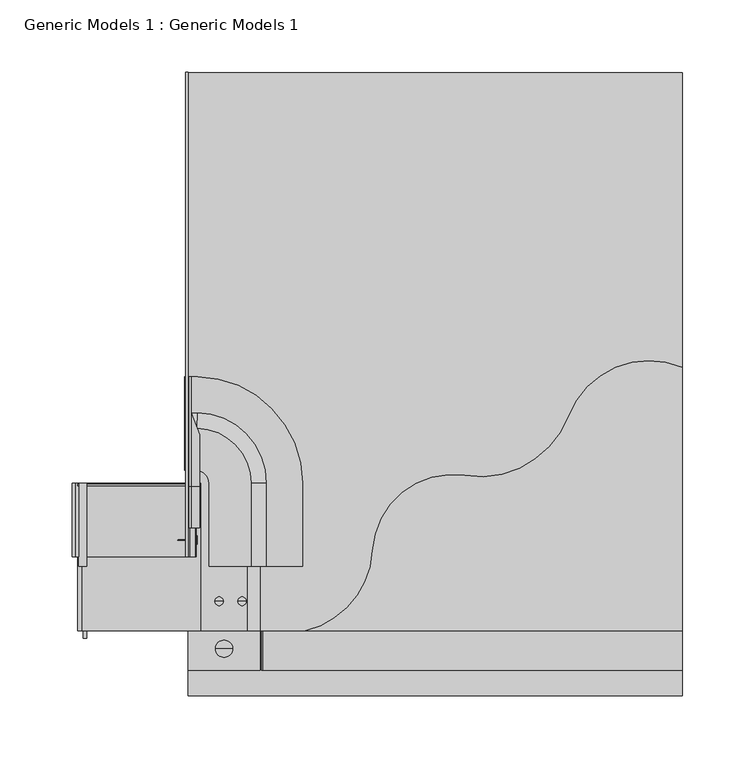
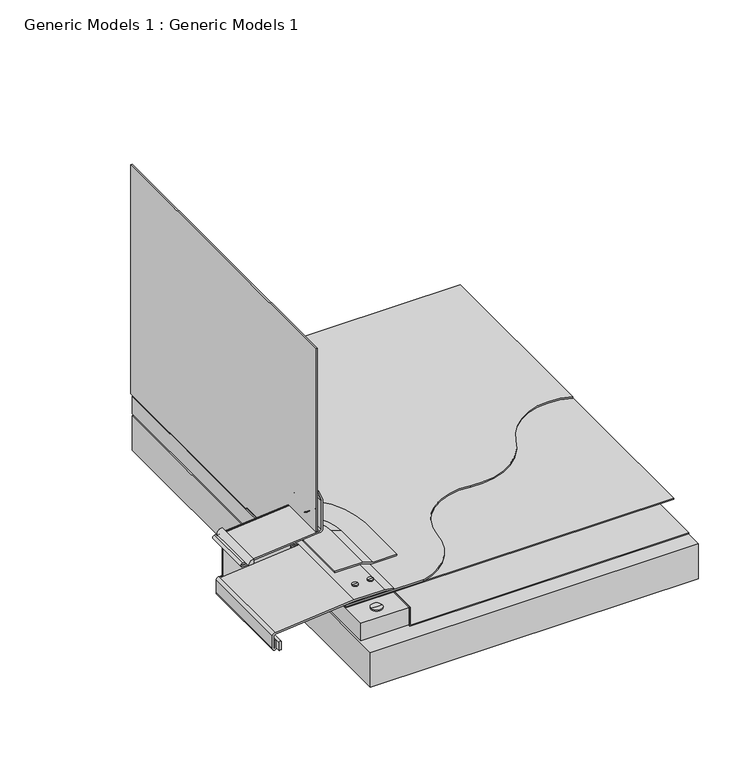
"""IFC4 building model written with IfcOpenShell, lengths in millimetres: proxy geometry, Generic Models 1 : Generic Models 1."""

from ifc_helpers import new_model, si_unit, point, frame, frame_2d, origin, place, context, project, spatial, polyline, circle_curve, trimmed, segment, composite_curve, outline, extrude, source, transform, mapped, element, save
from ifc_brep_helpers import plane_surface, cylinder_surface, revolved_surface, advanced_brep


def generic_models_1_generic_models_1_643e601e(model_context):
    return source(origin(), model_context, "Body", "SolidModel", [
        advanced_brep(
        [(70.2545796, -3.6625255, 365.5060914), (68.5200047, -3.6625255, 365.5060914), (68.5200047, -3.6625255, 334.6680183), (70.2545796, -3.6625255, 334.6680183), (75.3031923, -3.6625255, 365.5060914), (63.4713919, -3.6625255, 365.5060914), (75.3031923, -3.6625255, 367.0935914), (63.4713919, -3.6625255, 367.0935914), (69.3872921, -3.6625255, 367.0935914), (69.3872921, -3.6625255, 334.6680183)],
        [
            (0, 1, circle_curve(frame((69.3872921, -3.6625255, 365.5060914), z_axis=(0.0, 0.0, -1.0), x_axis=(-1.0, 0.0, 0.0)), 0.8672874)),
            (1, 2),
            (2, 3, circle_curve(frame((69.3872921, -3.6625255, 334.6680183), z_axis=(0.0, 0.0, 1.0), x_axis=(-1.0, 0.0, 0.0)), 0.8672874)),
            (3, 0),
            (1, 0, circle_curve(frame((69.3872921, -3.6625255, 365.5060914), z_axis=(0.0, 0.0, -1.0), x_axis=(-1.0, 0.0, 0.0)), 0.8672874)),
            (3, 2, circle_curve(frame((69.3872921, -3.6625255, 334.6680183), z_axis=(0.0, 0.0, 1.0), x_axis=(-1.0, 0.0, 0.0)), 0.8672874)),
            (4, 5, circle_curve(frame((69.3872921, -3.6625255, 365.5060914), z_axis=(0.0, 0.0, -1.0), x_axis=(-1.0, 0.0, 0.0)), 5.9159002)),
            (5, 1),
            (0, 4),
            (5, 4, circle_curve(frame((69.3872921, -3.6625255, 365.5060914), z_axis=(0.0, 0.0, -1.0), x_axis=(-1.0, 0.0, 0.0)), 5.9159002)),
            (6, 7, circle_curve(frame((69.3872921, -3.6625255, 367.0935914), z_axis=(0.0, 0.0, -1.0), x_axis=(-1.0, 0.0, 0.0)), 5.9159002)),
            (7, 5),
            (4, 6),
            (7, 6, circle_curve(frame((69.3872921, -3.6625255, 367.0935914), z_axis=(0.0, 0.0, -1.0), x_axis=(-1.0, 0.0, 0.0)), 5.9159002)),
            (8, 7),
            (6, 8),
            (2, 9),
            (9, 3),
        ],
        [
            cylinder_surface(frame((69.3872921, -3.6625255, 363.3756073), z_axis=(0.0, 0.0, 1.0), x_axis=(-1.0, 0.0, 0.0)), 0.8672874),
            plane_surface(frame((69.3872921, -3.6625255, 365.5060914), z_axis=(0.0, 0.0, -1.0), x_axis=(-1.0, 0.0, 0.0))),
            cylinder_surface(frame((69.3872921, -3.6625255, 363.3756073), z_axis=(0.0, 0.0, 1.0), x_axis=(-1.0, 0.0, 0.0)), 5.9159002),
            plane_surface(frame((69.3872921, -3.6625255, 367.0935914), z_axis=(0.0, 0.0, 1.0), x_axis=(-1.0, 0.0, 0.0))),
            plane_surface(frame((69.3872921, -3.6625255, 334.6680183), z_axis=(0.0, 0.0, -1.0), x_axis=(-1.0, 0.0, 0.0))),
        ],
        [
            (0, [[1, 2, 3, 4]]),
            (0, [[5, -4, 6, -2]]),
            (1, [[7, 8, -1, 9]]),
            (1, [[10, -9, -5, -8]]),
            (2, [[11, 12, -7, 13]]),
            (2, [[14, -13, -10, -12]]),
            (3, [[15, -11, 16]]),
            (3, [[-16, -14, -15]]),
            (4, [[-3, 17, 18]]),
            (4, [[-6, -18, -17]]),
        ],
    ),
        extrude(outline(polyline([(345.6623414, 385.7625), (346.4560914, 385.7625), (346.4560914, 96.04375), (366.2998414, 96.04375), (366.2998414, 95.25), (345.6623414, 95.25), (345.6623414, 385.7625)])), frame((0.0, -18.5337106, 0.0), z_axis=(0.0, 1.0, 0.0), x_axis=(0.0, 0.0, 1.0)), (0.0, 0.0, 1.0), 412.3806495),
        extrude(outline(polyline([(44.45, 393.8469389), (94.3245843, 393.8469389), (94.3245843, -18.5337106), (44.45, -18.5337106), (44.45, 393.8469389)])), frame((0.0, 0.0, 347.2498414), z_axis=(0.0, 0.0, 1.0), x_axis=(1.0, 0.0, 0.0)), (0.0, 0.0, 1.0), 19.05),
        extrude(outline(polyline([(44.45, 393.8469389), (385.7625, 393.8469389), (385.7625, -35.9507918), (44.45, -35.9507918), (44.45, 393.8469389)])), frame((0.0, 0.0, 306.7685914), z_axis=(0.0, 0.0, 1.0), x_axis=(1.0, 0.0, 0.0)), (0.0, 0.0, 1.0), 38.1),
        extrude(outline(composite_curve([segment(polyline([(348.3034303, -25.4), (357.2110691, -25.4)]), True, "CONTINUOUS"), segment(trimmed(circle_curve(frame_2d((357.2110691, -26.590625)), 1.190625), [point((357.2110691, -25.4))], [point((357.2110691, -27.78125))], False, "CARTESIAN"), True, "CONTINUOUS"), segment(polyline([(357.2110691, -27.78125), (348.3034303, -27.78125)]), True, "CONTINUOUS"), segment(trimmed(circle_curve(frame_2d((347.9308483, -26.590625)), 1.2475597), [point((348.3034303, -27.78125))], [point((348.3034303, -25.4))], True, "CARTESIAN"), True, "CONTINUOUS")], self_intersect=False)), frame((0.0, 3.5264576, 0.0), z_axis=(0.0, 1.0, 0.0), x_axis=(0.0, 0.0, 1.0)), (0.0, 0.0, 1.0), 106.9177285),
        extrude(outline(composite_curve([segment(trimmed(circle_curve(frame_2d((412.6374516, -25.4)), 5.394032), [point((418.0314836, -25.4))], [point((412.6374516, -30.794032))], False, "CARTESIAN"), True, "CONTINUOUS"), segment(polyline([(412.6374516, -30.794032), (413.1278182, -25.4), (418.0314836, -25.4)]), True, "CONTINUOUS")], self_intersect=False)), frame((0.0, 53.2941862, 0.0), z_axis=(0.0, 1.0, 0.0), x_axis=(0.0, 0.0, 1.0)), (0.0, 0.0, 1.0), 57.15),
        extrude(outline(composite_curve([segment(polyline([(44.45, 393.8469389), (385.7625, 393.8469389), (385.7625, 190.5484479)]), True, "CONTINUOUS"), segment(trimmed(circle_curve(frame_2d((362.7557693, 135.6910091)), 59.4865384), [point((385.7625, 190.5484479))], [point((307.2749003, 157.1507719))], True, "CARTESIAN"), True, "CONTINUOUS"), segment(trimmed(circle_curve(frame_2d((245.9110735, 180.8860377)), 65.7942405), [point((307.2749003, 157.1507719))], [point((235.7845032, 115.8757719))], False, "CARTESIAN"), True, "CONTINUOUS"), segment(trimmed(circle_curve(frame_2d((227.2163171, 60.8699764)), 55.6691239), [point((235.7845032, 115.8757719))], [point((171.6311041, 63.9253737))], True, "CARTESIAN"), True, "CONTINUOUS"), segment(trimmed(circle_curve(frame_2d((111.7794323, 67.2152888)), 59.9420233), [point((171.6311041, 63.9253737))], [point((125.4125, 8.8441862))], False, "CARTESIAN"), True, "CONTINUOUS"), segment(polyline([(125.4125, 8.8441862), (44.45, 8.8441862), (44.45, 393.8469389)]), True, "CONTINUOUS")], self_intersect=False)), frame((0.0, 0.0, 367.8873414), z_axis=(0.0, 0.0, 1.0), x_axis=(1.0, 0.0, 0.0)), (0.0, 0.0, 1.0), 1.5875),
        extrude(outline(polyline([(44.45, 393.8469389), (385.7625, 393.8469389), (385.7625, 8.8441862), (44.45, 8.8441862), (44.45, 393.8469389)])), frame((0.0, 0.0, 367.0935914), z_axis=(0.0, 0.0, 1.0), x_axis=(1.0, 0.0, 0.0)), (0.0, 0.0, 1.0), 0.79375),
        advanced_brep(
        [(37.30625, 71.3046159, 436.504844), (39.221851, 71.3046159, 436.2696378), (39.221851, 71.3046159, 436.7400502), (50.00625, 71.3046159, 436.2696378), (50.00625, 71.3046159, 436.7400502), (50.00625, 71.3046159, 433.5468939), (50.00625, 71.3046159, 439.4627941), (50.8, 71.3046159, 433.5468939), (50.8, 71.3046159, 439.4627941), (50.8, 71.3046159, 436.504844)],
        [
            (0, 1),
            (1, 2, circle_curve(frame((39.221851, 71.3046159, 436.504844), z_axis=(-1.0, 0.0, 0.0), x_axis=(0.0, 0.0, -1.0)), 0.2352062)),
            (2, 0),
            (2, 1, circle_curve(frame((39.221851, 71.3046159, 436.504844), z_axis=(-1.0, 0.0, 0.0), x_axis=(0.0, 0.0, -1.0)), 0.2352062)),
            (1, 3),
            (3, 4, circle_curve(frame((50.00625, 71.3046159, 436.504844), z_axis=(-1.0, 0.0, 0.0), x_axis=(0.0, 0.0, -1.0)), 0.2352062)),
            (4, 2),
            (4, 3, circle_curve(frame((50.00625, 71.3046159, 436.504844), z_axis=(-1.0, 0.0, 0.0), x_axis=(0.0, 0.0, -1.0)), 0.2352062)),
            (3, 5),
            (5, 6, circle_curve(frame((50.00625, 71.3046159, 436.504844), z_axis=(-1.0, 0.0, 0.0), x_axis=(0.0, 0.0, -1.0)), 2.9579501)),
            (6, 4),
            (6, 5, circle_curve(frame((50.00625, 71.3046159, 436.504844), z_axis=(-1.0, 0.0, 0.0), x_axis=(0.0, 0.0, -1.0)), 2.9579501)),
            (5, 7),
            (7, 8, circle_curve(frame((50.8, 71.3046159, 436.504844), z_axis=(-1.0, 0.0, 0.0), x_axis=(0.0, 0.0, -1.0)), 2.9579501)),
            (8, 6),
            (8, 7, circle_curve(frame((50.8, 71.3046159, 436.504844), z_axis=(-1.0, 0.0, 0.0), x_axis=(0.0, 0.0, -1.0)), 2.9579501)),
            (7, 9),
            (9, 8),
        ],
        [
            revolved_surface(polyline([(39.221851, 71.3046159, 436.2696378), (37.30625, 71.3046159, 436.504844)]), (47.082016, 71.3046159, 436.504844), (-1.0, 0.0, 0.0)),
            cylinder_surface(frame((47.082016, 71.3046159, 436.504844), z_axis=(-1.0, 0.0, 0.0), x_axis=(0.0, 0.0, -1.0)), 0.2352062),
            plane_surface(frame((50.00625, 71.3046159, 436.504844), z_axis=(-1.0, 0.0, 0.0), x_axis=(0.0, 0.0, -1.0))),
            cylinder_surface(frame((47.082016, 71.3046159, 436.504844), z_axis=(-1.0, 0.0, 0.0), x_axis=(0.0, 0.0, -1.0)), 2.9579501),
            plane_surface(frame((50.8, 71.3046159, 436.504844), z_axis=(1.0, 0.0, 0.0), x_axis=(0.0, 0.0, -1.0))),
        ],
        [
            (0, [[1, 2, 3]]),
            (0, [[-3, 4, -1]]),
            (1, [[-2, 5, 6, 7]]),
            (1, [[-4, -7, 8, -5]]),
            (2, [[-6, 9, 10, 11]]),
            (2, [[-8, -11, 12, -9]]),
            (3, [[-10, 13, 14, 15]]),
            (3, [[-12, -15, 16, -13]]),
            (4, [[-14, 17, 18]]),
            (4, [[-16, -18, -17]]),
        ],
    ),
        advanced_brep(
        [(82.0786761, 29.0837738, 361.8654423), (81.6082637, 29.0837738, 361.8654423), (81.8434699, 29.0837738, 359.9498414), (82.0786761, 29.0837738, 372.6498414), (81.6082637, 29.0837738, 372.6498414), (84.80142, 29.0837738, 372.6498414), (78.8855198, 29.0837738, 372.6498414), (84.80142, 29.0837738, 373.4435914), (78.8855198, 29.0837738, 373.4435914), (81.8434699, 29.0837738, 373.4435914)],
        [
            (0, 1, circle_curve(frame((81.8434699, 29.0837738, 361.8654423), z_axis=(0.0, 0.0, -1.0), x_axis=(-1.0, 0.0, 0.0)), 0.2352062)),
            (1, 2),
            (2, 0),
            (1, 0, circle_curve(frame((81.8434699, 29.0837738, 361.8654423), z_axis=(0.0, 0.0, -1.0), x_axis=(-1.0, 0.0, 0.0)), 0.2352062)),
            (3, 4, circle_curve(frame((81.8434699, 29.0837738, 372.6498414), z_axis=(0.0, 0.0, -1.0), x_axis=(-1.0, 0.0, 0.0)), 0.2352062)),
            (4, 1),
            (0, 3),
            (4, 3, circle_curve(frame((81.8434699, 29.0837738, 372.6498414), z_axis=(0.0, 0.0, -1.0), x_axis=(-1.0, 0.0, 0.0)), 0.2352062)),
            (5, 6, circle_curve(frame((81.8434699, 29.0837738, 372.6498414), z_axis=(0.0, 0.0, -1.0), x_axis=(-1.0, 0.0, 0.0)), 2.9579501)),
            (6, 4),
            (3, 5),
            (6, 5, circle_curve(frame((81.8434699, 29.0837738, 372.6498414), z_axis=(0.0, 0.0, -1.0), x_axis=(-1.0, 0.0, 0.0)), 2.9579501)),
            (7, 8, circle_curve(frame((81.8434699, 29.0837738, 373.4435914), z_axis=(0.0, 0.0, -1.0), x_axis=(-1.0, 0.0, 0.0)), 2.9579501)),
            (8, 6),
            (5, 7),
            (8, 7, circle_curve(frame((81.8434699, 29.0837738, 373.4435914), z_axis=(0.0, 0.0, -1.0), x_axis=(-1.0, 0.0, 0.0)), 2.9579501)),
            (9, 8),
            (7, 9),
        ],
        [
            revolved_surface(polyline([(81.8434699, 29.0837738, 359.9498414), (81.6082637, 29.0837738, 361.8654423)]), (81.8434699, 29.0837738, 369.7256073), (0.0, 0.0, 1.0)),
            cylinder_surface(frame((81.8434699, 29.0837738, 369.7256073), z_axis=(0.0, 0.0, 1.0), x_axis=(-1.0, 0.0, 0.0)), 0.2352062),
            plane_surface(frame((81.8434699, 29.0837738, 372.6498414), z_axis=(0.0, 0.0, -1.0), x_axis=(-1.0, 0.0, 0.0))),
            cylinder_surface(frame((81.8434699, 29.0837738, 369.7256073), z_axis=(0.0, 0.0, 1.0), x_axis=(-1.0, 0.0, 0.0)), 2.9579501),
            plane_surface(frame((81.8434699, 29.0837738, 373.4435914), z_axis=(0.0, 0.0, 1.0), x_axis=(-1.0, 0.0, 0.0))),
        ],
        [
            (0, [[1, 2, 3]]),
            (0, [[4, -3, -2]]),
            (1, [[5, 6, -1, 7]]),
            (1, [[8, -7, -4, -6]]),
            (2, [[9, 10, -5, 11]]),
            (2, [[12, -11, -8, -10]]),
            (3, [[13, 14, -9, 15]]),
            (3, [[16, -15, -12, -14]]),
            (4, [[17, -13, 18]]),
            (4, [[-18, -16, -17]]),
        ],
    ),
        advanced_brep(
        [(66.2036761, 29.0837738, 361.8654423), (65.7332637, 29.0837738, 361.8654423), (65.9684699, 29.0837738, 359.9498414), (66.2036761, 29.0837738, 372.6498414), (65.7332637, 29.0837738, 372.6498414), (68.92642, 29.0837738, 372.6498414), (63.0105198, 29.0837738, 372.6498414), (68.92642, 29.0837738, 373.4435914), (63.0105198, 29.0837738, 373.4435914), (65.9684699, 29.0837738, 373.4435914)],
        [
            (0, 1, circle_curve(frame((65.9684699, 29.0837738, 361.8654423), z_axis=(0.0, 0.0, -1.0), x_axis=(-1.0, 0.0, 0.0)), 0.2352062)),
            (1, 2),
            (2, 0),
            (1, 0, circle_curve(frame((65.9684699, 29.0837738, 361.8654423), z_axis=(0.0, 0.0, -1.0), x_axis=(-1.0, 0.0, 0.0)), 0.2352062)),
            (3, 4, circle_curve(frame((65.9684699, 29.0837738, 372.6498414), z_axis=(0.0, 0.0, -1.0), x_axis=(-1.0, 0.0, 0.0)), 0.2352062)),
            (4, 1),
            (0, 3),
            (4, 3, circle_curve(frame((65.9684699, 29.0837738, 372.6498414), z_axis=(0.0, 0.0, -1.0), x_axis=(-1.0, 0.0, 0.0)), 0.2352062)),
            (5, 6, circle_curve(frame((65.9684699, 29.0837738, 372.6498414), z_axis=(0.0, 0.0, -1.0), x_axis=(-1.0, 0.0, 0.0)), 2.9579501)),
            (6, 4),
            (3, 5),
            (6, 5, circle_curve(frame((65.9684699, 29.0837738, 372.6498414), z_axis=(0.0, 0.0, -1.0), x_axis=(-1.0, 0.0, 0.0)), 2.9579501)),
            (7, 8, circle_curve(frame((65.9684699, 29.0837738, 373.4435914), z_axis=(0.0, 0.0, -1.0), x_axis=(-1.0, 0.0, 0.0)), 2.9579501)),
            (8, 6),
            (5, 7),
            (8, 7, circle_curve(frame((65.9684699, 29.0837738, 373.4435914), z_axis=(0.0, 0.0, -1.0), x_axis=(-1.0, 0.0, 0.0)), 2.9579501)),
            (9, 8),
            (7, 9),
        ],
        [
            revolved_surface(polyline([(65.9684699, 29.0837738, 359.9498414), (65.7332637, 29.0837738, 361.8654423)]), (65.9684699, 29.0837738, 369.7256073), (0.0, 0.0, 1.0)),
            cylinder_surface(frame((65.9684699, 29.0837738, 369.7256073), z_axis=(0.0, 0.0, 1.0), x_axis=(-1.0, 0.0, 0.0)), 0.2352062),
            plane_surface(frame((65.9684699, 29.0837738, 372.6498414), z_axis=(0.0, 0.0, -1.0), x_axis=(-1.0, 0.0, 0.0))),
            cylinder_surface(frame((65.9684699, 29.0837738, 369.7256073), z_axis=(0.0, 0.0, 1.0), x_axis=(-1.0, 0.0, 0.0)), 2.9579501),
            plane_surface(frame((65.9684699, 29.0837738, 373.4435914), z_axis=(0.0, 0.0, 1.0), x_axis=(-1.0, 0.0, 0.0))),
        ],
        [
            (0, [[1, 2, 3]]),
            (0, [[4, -3, -2]]),
            (1, [[5, 6, -1, 7]]),
            (1, [[8, -7, -4, -6]]),
            (2, [[9, 10, -5, 11]]),
            (2, [[12, -11, -8, -10]]),
            (3, [[13, 14, -9, 15]]),
            (3, [[16, -15, -12, -14]]),
            (4, [[17, -13, 18]]),
            (4, [[-18, -16, -17]]),
        ],
    ),
        advanced_brep(
        [(87.9326669, 53.2941862, 375.0310914), (58.9603714, 53.2941862, 375.0310914), (58.9603714, 53.2941862, 373.4435914), (87.6527478, 53.2941862, 373.4435914), (98.5567989, 53.2941862, 369.4748414), (123.447393, 53.2941862, 369.4748414), (123.447393, 53.2941862, 371.0623414), (98.8367179, 53.2941862, 371.0623414), (42.1695051, 148.3601479, 375.0310914), (42.1695051, 159.2641989, 371.0623414), (42.1695051, 183.874874, 371.0623414), (42.1695051, 183.874874, 369.4748414), (42.1695051, 158.9842798, 369.4748414), (42.1695051, 148.0802288, 373.4435914), (42.1695051, 119.3878524, 373.4435914), (42.1695051, 119.3878524, 375.0310914), (87.9326669, 110.4441862, 375.0310914), (50.9453391, 148.358975, 375.0310914), (50.7005429, 119.3878524, 375.0310914), (58.9603714, 110.4441862, 375.0310914), (58.9603714, 110.4441862, 373.4435914), (50.7004035, 119.3713605, 373.4435914), (50.9429837, 148.0802288, 373.4435914), (87.6527478, 110.4441862, 373.4435914), (98.5567989, 110.4441862, 369.4748414), (51.0351155, 158.9838321, 369.4748414), (51.2454364, 183.874874, 369.4748414), (123.447393, 110.4441862, 369.4748414), (123.447393, 110.4441862, 371.0623414), (51.2454364, 183.8748739, 371.0623414), (51.0374845, 159.2641989, 371.0623414), (98.8367179, 110.4441862, 371.0623414)],
        [
            (0, 1),
            (1, 2),
            (2, 3),
            (3, 4),
            (4, 5),
            (5, 6),
            (6, 7),
            (7, 0),
            (8, 9),
            (9, 10),
            (10, 11),
            (11, 12),
            (12, 13),
            (13, 14),
            (14, 15),
            (15, 8),
            (0, 16),
            (16, 17, circle_curve(frame((50.00625, 110.4441862, 375.0310914), z_axis=(0.0, 0.0, 1.0), x_axis=(1.0, 0.0, 0.0)), 37.9264169)),
            (17, 8),
            (15, 18),
            (18, 19, circle_curve(frame((50.00625, 110.4441862, 375.0310914), z_axis=(0.0, 0.0, -1.0), x_axis=(1.0, 0.0, 0.0)), 8.9541214)),
            (19, 1),
            (19, 20),
            (20, 2),
            (20, 21, circle_curve(frame((50.00625, 110.4441862, 373.4435914), z_axis=(0.0, 0.0, 1.0), x_axis=(1.0, 0.0, 0.0)), 8.9541214)),
            (21, 14),
            (13, 22),
            (22, 23, circle_curve(frame((50.00625, 110.4441862, 373.4435914), z_axis=(0.0, 0.0, -1.0), x_axis=(1.0, 0.0, 0.0)), 37.6464978)),
            (23, 3),
            (23, 24),
            (24, 4),
            (24, 25, circle_curve(frame((50.00625, 110.4441862, 369.4748414), z_axis=(0.0, 0.0, 1.0), x_axis=(1.0, 0.0, 0.0)), 48.5505489)),
            (25, 12),
            (11, 26),
            (26, 27, circle_curve(frame((50.00625, 110.4441862, 369.4748414), z_axis=(0.0, 0.0, -1.0), x_axis=(1.0, 0.0, 0.0)), 73.441143)),
            (27, 5),
            (27, 28),
            (28, 6),
            (28, 29, circle_curve(frame((50.00625, 110.4441862, 371.0623414), z_axis=(0.0, 0.0, 1.0), x_axis=(1.0, 0.0, 0.0)), 73.441143)),
            (29, 10),
            (9, 30),
            (30, 31, circle_curve(frame((50.00625, 110.4441862, 371.0623414), z_axis=(0.0, 0.0, -1.0), x_axis=(1.0, 0.0, 0.0)), 48.8304679)),
            (31, 7),
            (31, 16),
            (18, 21),
            (22, 25),
            (26, 29),
            (30, 17),
        ],
        [
            plane_surface(frame((123.2307091, 53.2941862, 369.4748414), z_axis=(0.0, -1.0, 0.0), x_axis=(0.0, 0.0, 1.0))),
            plane_surface(frame((42.1695051, 183.6581901, 369.4748414), z_axis=(-1.0, 0.0, 0.0), x_axis=(0.0, 0.0, 1.0))),
            plane_surface(frame((87.9326669, 53.2941862, 375.0310914), z_axis=(0.0, 0.0, 1.0), x_axis=(0.0, 1.0, 0.0))),
            plane_surface(frame((58.9603714, 53.2941862, 375.0310914), z_axis=(-1.0, 0.0, 0.0), x_axis=(0.0, 1.0, 0.0))),
            plane_surface(frame((58.9603714, 53.2941862, 373.4435914), z_axis=(0.0, 0.0, -1.0), x_axis=(0.0, 1.0, 0.0))),
            plane_surface(frame((87.6527478, 53.2941862, 373.4435914), z_axis=(-0.34202014332567304, 0.0, -0.9396926207859069), x_axis=(0.0, 1.0, 0.0))),
            plane_surface(frame((98.5567989, 53.2941862, 369.4748414), z_axis=(0.0, 0.0, -1.0), x_axis=(0.0, 1.0, 0.0))),
            plane_surface(frame((123.447393, 53.2941862, 369.4748414), z_axis=(1.0, 0.0, 0.0), x_axis=(0.0, 1.0, 0.0))),
            plane_surface(frame((123.447393, 53.2941862, 371.0623414), z_axis=(0.0, 0.0, 1.0), x_axis=(0.0, 1.0, 0.0))),
            plane_surface(frame((98.8367179, 53.2941862, 371.0623414), z_axis=(0.34202014332567365, 0.0, 0.9396926207859067), x_axis=(0.0, 1.0, 0.0))),
            revolved_surface(polyline([(58.9603714, 110.4441862, 375.0310914), (58.9603714, 110.4441862, 373.4435914)]), (50.00625, 110.4441862, 369.4748414), (0.0, 0.0, 1.0)),
            revolved_surface(polyline([(87.6527478, 110.4441862, 373.4435914), (98.5567989, 110.4441862, 369.4748414)]), (50.00625, 110.4441862, 369.4748414), (0.0, 0.0, 1.0)),
            cylinder_surface(frame((50.00625, 110.4441862, 369.4748414), z_axis=(0.0, 0.0, 1.0), x_axis=(1.0, 0.0, 0.0)), 73.441143),
            revolved_surface(polyline([(98.8367179, 110.4441862, 371.0623414), (87.9326669, 110.4441862, 375.0310914)]), (50.00625, 110.4441862, 369.4748414), (0.0, 0.0, 1.0)),
            plane_surface(frame((50.7005429, 119.3878524, 375.0310914), z_axis=(0.0, -1.0, 0.0), x_axis=(-1.0, 0.0, 0.0))),
            plane_surface(frame((50.9429837, 148.0802288, 373.4435914), z_axis=(0.0, -0.3420201433256731, -0.9396926207859069), x_axis=(-1.0, 0.0, 0.0))),
            plane_surface(frame((51.2454364, 183.874874, 369.4748414), z_axis=(0.0, 1.0, 0.0), x_axis=(-1.0, 0.0, 0.0))),
            plane_surface(frame((51.0374845, 159.2641989, 371.0623414), z_axis=(0.0, 0.3420201433256737, 0.9396926207859067), x_axis=(-1.0, 0.0, 0.0))),
        ],
        [
            (0, [[1, 2, 3, 4, 5, 6, 7, 8]]),
            (1, [[9, 10, 11, 12, 13, 14, 15, 16]]),
            (2, [[-1, 17, 18, 19, -16, 20, 21, 22]]),
            (3, [[-2, -22, 23, 24]]),
            (4, [[-3, -24, 25, 26, -14, 27, 28, 29]]),
            (5, [[-4, -29, 30, 31]]),
            (6, [[-5, -31, 32, 33, -12, 34, 35, 36]]),
            (7, [[-6, -36, 37, 38]]),
            (8, [[-7, -38, 39, 40, -10, 41, 42, 43]]),
            (9, [[-8, -43, 44, -17]]),
            (10, [[-25, -23, -21, 45]]),
            (11, [[-32, -30, -28, 46]]),
            (12, [[-39, -37, -35, 47]]),
            (13, [[-18, -44, -42, 48]]),
            (14, [[-45, -20, -15, -26]]),
            (15, [[-46, -27, -13, -33]]),
            (16, [[-47, -34, -11, -40]]),
            (17, [[-48, -41, -9, -19]]),
        ],
    ),
        advanced_brep(
        [(45.24375, 158.9842798, 369.4748414), (45.24375, 183.874874, 369.4748414), (46.83125, 183.874874, 369.4748414), (46.83125, 159.2641989, 369.4748414), (52.3875, 143.9985275, 369.4748414), (52.3875, 119.3878524, 369.4748414), (50.8, 119.3878524, 369.4748414), (50.8, 143.7186084, 369.4748414), (45.24375, 158.9842798, 417.4974733), (45.24375, 108.4598112, 468.0219419), (45.24375, 79.6750939, 468.0219419), (45.24375, 79.6750939, 492.9125361), (45.24375, 108.4598112, 492.9125361), (45.24375, 183.874874, 417.4974733), (46.83125, 183.874874, 417.4974733), (46.83125, 108.4598112, 492.9125361), (46.83125, 79.6750939, 492.9125361), (46.83125, 79.6750939, 468.301861), (46.83125, 108.4598112, 468.301861), (46.83125, 159.2641989, 417.4974733), (52.3875, 143.9985275, 417.4974733), (52.3875, 108.4598112, 453.0361896), (52.3875, 79.6750939, 453.0361896), (52.3875, 79.6750939, 428.4255145), (52.3875, 108.4598112, 428.4255145), (52.3875, 119.3878524, 417.4974733), (50.8, 119.3878524, 417.4974733), (50.8, 108.4598112, 428.4255145), (50.8, 79.6750939, 428.4255145), (50.8, 79.6750939, 452.7562705), (50.8, 108.4598112, 452.7562705), (50.8, 143.7186084, 417.4974733)],
        [
            (0, 1),
            (1, 2),
            (2, 3),
            (3, 4),
            (4, 5),
            (5, 6),
            (6, 7),
            (7, 0),
            (0, 8),
            (8, 9, circle_curve(frame((45.24375, 108.4598112, 417.4974733), z_axis=(1.0, 0.0, 0.0), x_axis=(0.0, 1.0, 0.0)), 50.5244686)),
            (9, 10),
            (10, 11),
            (11, 12),
            (12, 13, circle_curve(frame((45.24375, 108.4598112, 417.4974733), z_axis=(-1.0, 0.0, 0.0), x_axis=(0.0, 1.0, 0.0)), 75.4150628)),
            (13, 1),
            (2, 14),
            (14, 15, circle_curve(frame((46.83125, 108.4598112, 417.4974733), z_axis=(1.0, 0.0, 0.0), x_axis=(0.0, 1.0, 0.0)), 75.4150628)),
            (15, 16),
            (16, 17),
            (17, 18),
            (18, 19, circle_curve(frame((46.83125, 108.4598112, 417.4974733), z_axis=(-1.0, 0.0, 0.0), x_axis=(0.0, 1.0, 0.0)), 50.8043877)),
            (19, 3),
            (19, 20),
            (20, 4),
            (20, 21, circle_curve(frame((52.3875, 108.4598112, 417.4974733), z_axis=(1.0, 0.0, 0.0), x_axis=(0.0, 1.0, 0.0)), 35.5387163)),
            (21, 22),
            (22, 23),
            (23, 24),
            (24, 25, circle_curve(frame((52.3875, 108.4598112, 417.4974733), z_axis=(-1.0, 0.0, 0.0), x_axis=(0.0, 1.0, 0.0)), 10.9280412)),
            (25, 5),
            (25, 26),
            (26, 6),
            (26, 27, circle_curve(frame((50.8, 108.4598112, 417.4974733), z_axis=(1.0, 0.0, 0.0), x_axis=(0.0, 1.0, 0.0)), 10.9280412)),
            (27, 28),
            (28, 29),
            (29, 30),
            (30, 31, circle_curve(frame((50.8, 108.4598112, 417.4974733), z_axis=(-1.0, 0.0, 0.0), x_axis=(0.0, 1.0, 0.0)), 35.2587972)),
            (31, 7),
            (31, 8),
            (18, 21),
            (24, 27),
            (30, 9),
            (10, 29),
            (28, 23),
            (22, 17),
            (16, 11),
            (13, 14),
            (12, 15),
        ],
        [
            plane_surface(frame((44.45, 154.5812212, 369.4748414), z_axis=(0.0, 0.0, -1.0), x_axis=(1.0, 0.0, 0.0))),
            plane_surface(frame((45.24375, 158.9842798, 369.4748414), z_axis=(-1.0, 0.0, 0.0), x_axis=(0.0, 0.0, 1.0))),
            plane_surface(frame((46.83125, 183.874874, 369.4748414), z_axis=(1.0, 0.0, 0.0), x_axis=(0.0, 0.0, 1.0))),
            plane_surface(frame((46.83125, 159.2641989, 369.4748414), z_axis=(0.9396926207859058, 0.34202014332567615, 0.0), x_axis=(0.0, 0.0, 1.0))),
            plane_surface(frame((52.3875, 143.9985275, 369.4748414), z_axis=(1.0, 0.0, 0.0), x_axis=(0.0, 0.0, 1.0))),
            plane_surface(frame((52.3875, 119.3878524, 369.4748414), z_axis=(0.0, -1.0, 0.0), x_axis=(0.0, 0.0, 1.0))),
            plane_surface(frame((50.8, 119.3878524, 369.4748414), z_axis=(-1.0, 0.0, 0.0), x_axis=(0.0, 0.0, 1.0))),
            plane_surface(frame((50.8, 143.7186084, 369.4748414), z_axis=(-0.939692620785906, -0.3420201433256756, 0.0), x_axis=(0.0, 0.0, 1.0))),
            revolved_surface(polyline([(46.83125, 159.2641989, 417.4974733), (52.3875, 143.9985275, 417.4974733)]), (44.45, 108.4598112, 417.4974733), (1.0, 0.0, 0.0)),
            revolved_surface(polyline([(52.3875, 119.3878524, 417.4974733), (50.8, 119.3878524, 417.4974733)]), (44.45, 108.4598112, 417.4974733), (1.0, 0.0, 0.0)),
            revolved_surface(polyline([(50.8, 143.7186084, 417.4974733), (45.24375, 158.9842798, 417.4974733)]), (44.45, 108.4598112, 417.4974733), (1.0, 0.0, 0.0)),
            plane_surface(frame((44.45, 79.6750939, 463.6188833), z_axis=(0.0, -1.0, 0.0), x_axis=(1.0, 0.0, 0.0))),
            plane_surface(frame((46.83125, 108.4598112, 468.301861), z_axis=(0.9396926207859074, 0.0, 0.34202014332567143), x_axis=(0.0, -1.0, 0.0))),
            plane_surface(frame((52.3875, 108.4598112, 428.4255145), z_axis=(0.0, 0.0, -1.0), x_axis=(0.0, -1.0, 0.0))),
            plane_surface(frame((50.8, 108.4598112, 452.7562705), z_axis=(-0.9396926207859077, 0.0, -0.3420201433256709), x_axis=(0.0, -1.0, 0.0))),
            plane_surface(frame((45.24375, 183.874874, 369.4748414), z_axis=(0.0, 1.0, 0.0), x_axis=(0.0, 0.0, 1.0))),
            cylinder_surface(frame((44.45, 108.4598112, 417.4974733), z_axis=(1.0, 0.0, 0.0), x_axis=(0.0, 1.0, 0.0)), 75.4150628),
            plane_surface(frame((45.24375, 108.4598112, 492.9125361), z_axis=(0.0, 0.0, 1.0), x_axis=(0.0, -1.0, 0.0))),
        ],
        [
            (0, [[1, 2, 3, 4, 5, 6, 7, 8]]),
            (1, [[-1, 9, 10, 11, 12, 13, 14, 15]]),
            (2, [[-3, 16, 17, 18, 19, 20, 21, 22]]),
            (3, [[-4, -22, 23, 24]]),
            (4, [[-5, -24, 25, 26, 27, 28, 29, 30]]),
            (5, [[-6, -30, 31, 32]]),
            (6, [[-7, -32, 33, 34, 35, 36, 37, 38]]),
            (7, [[-8, -38, 39, -9]]),
            (8, [[-25, -23, -21, 40]]),
            (9, [[-33, -31, -29, 41]]),
            (10, [[-10, -39, -37, 42]]),
            (11, [[43, -35, 44, -27, 45, -19, 46, -12]]),
            (12, [[-40, -20, -45, -26]]),
            (13, [[-41, -28, -44, -34]]),
            (14, [[-42, -36, -43, -11]]),
            (15, [[-2, -15, 47, -16]]),
            (16, [[-17, -47, -14, 48]]),
            (17, [[-48, -13, -46, -18]]),
        ],
    ),
        extrude(outline(polyline([(59.6441862, 621.7129392), (393.8469389, 621.7129392), (393.8469389, 369.4748414), (110.4441862, 369.4748414), (110.4441862, 420.1305232), (59.6441862, 420.1305232), (59.6441862, 621.7129392)])), frame((42.8625, 0.0, 0.0), z_axis=(1.0, 0.0, 0.0), x_axis=(0.0, 1.0, 0.0)), (0.0, 0.0, 1.0), 1.5875),
        advanced_brep(
        [(-27.3562252, 110.4441862, 365.3380723), (-27.2124997, 108.8566862, 363.7570919), (-27.3562252, 108.8566862, 365.3380723), (-31.649102, 108.8566862, 412.559718), (-31.5053765, 110.4441862, 410.9787375), (-31.5053765, 108.8566862, 410.9787375), (48.9240827, 110.4441862, 418.2905065), (48.7803572, 108.8566862, 419.871487), (48.9240827, 108.8566862, 418.2905065), (53.2169596, 108.8566862, 371.0688609), (53.0732341, 110.4441862, 372.6498414), (53.0732341, 108.8566862, 372.6498414), (-25.4, 110.4441862, 411.5337717), (44.45, 110.4441862, 417.8837717), (44.45, 110.4441862, 371.865911), (-25.4, 110.4441862, 365.515911), (44.45, 108.8566862, 371.865911), (44.45, 108.8566862, 417.8837717), (-25.4, 108.8566862, 411.5337717), (-25.4, 108.8566862, 365.515911)],
        [
            (0, 1, circle_curve(frame((-27.3562252, 108.8566862, 365.3380723), z_axis=(-0.9958932064677043, 0.0, -0.09053574604251403), x_axis=(0.09053574604251403, 0.0, -0.9958932064677043)), 1.5875)),
            (1, 2),
            (2, 0),
            (3, 4, circle_curve(frame((-31.5053765, 108.8566862, 410.9787375), z_axis=(-0.9958932064677043, 0.0, -0.09053574604251403), x_axis=(0.09053574604251403, 0.0, -0.9958932064677043)), 1.5875)),
            (4, 5),
            (5, 3),
            (6, 7, circle_curve(frame((48.9240827, 108.8566862, 418.2905065), z_axis=(0.9958932064677043, 0.0, 0.09053574604251403), x_axis=(0.09053574604251403, 0.0, -0.9958932064677043)), 1.5875)),
            (7, 8),
            (8, 6),
            (9, 10, circle_curve(frame((53.0732341, 108.8566862, 372.6498414), z_axis=(0.9958932064677043, 0.0, 0.09053574604251403), x_axis=(0.09053574604251403, 0.0, -0.9958932064677043)), 1.5875)),
            (10, 11),
            (11, 9),
            (12, 13),
            (13, 14),
            (14, 15),
            (15, 12),
            (0, 15),
            (14, 10),
            (9, 1),
            (11, 16),
            (16, 17),
            (17, 8),
            (7, 3),
            (5, 18),
            (18, 19),
            (19, 2),
            (6, 13),
            (12, 4),
            (17, 13),
            (14, 16),
            (15, 19),
            (18, 12),
        ],
        [
            plane_surface(frame((-27.3562252, 110.4441862, 365.3380723), z_axis=(-0.9958932064677043, 0.0, -0.09053574604251402), x_axis=(0.0, 1.0, 0.0))),
            plane_surface(frame((53.0732341, 110.4441862, 372.6498414), z_axis=(0.9958932064677043, 0.0, 0.09053574604251402), x_axis=(0.0, 1.0, 0.0))),
            plane_surface(frame((-31.5053765, 110.4441862, 410.9787375), z_axis=(0.0, 1.0, 0.0), x_axis=(0.9958932064677043, 0.0, 0.0905357460425142))),
            cylinder_surface(frame((-27.3562252, 108.8566862, 365.3380723), z_axis=(-0.9958932064677043, 0.0, -0.09053574604251403), x_axis=(0.09053574604251403, 0.0, -0.9958932064677043)), 1.5875),
            plane_surface(frame((-27.2124997, 108.8566862, 363.7570919), z_axis=(0.0, -1.0, 0.0), x_axis=(0.9958932064677043, 0.0, 0.0905357460425142))),
            cylinder_surface(frame((-31.5053765, 108.8566862, 410.9787375), z_axis=(-0.9958932064677043, 0.0, -0.09053574604251403), x_axis=(0.09053574604251403, 0.0, -0.9958932064677043)), 1.5875),
            plane_surface(frame((44.45, 110.4441862, 417.8837717), z_axis=(0.09053574604250732, 0.0, -0.9958932064677049), x_axis=(0.0, -1.0, 0.0))),
            plane_surface(frame((53.0732341, 110.4441862, 372.6498414), z_axis=(-0.09053574604251792, 0.0, 0.995893206467704), x_axis=(0.0, -1.0, 0.0))),
            plane_surface(frame((44.45, 110.4441862, 371.865911), z_axis=(1.0, 0.0, 0.0), x_axis=(0.0, -1.0, 0.0))),
            plane_surface(frame((-25.4, 110.4441862, 411.5337717), z_axis=(-1.0, 0.0, 0.0), x_axis=(0.0, -1.0, 0.0))),
            plane_surface(frame((-25.4, 110.4441862, 365.515911), z_axis=(-0.09053574604252418, 0.0, 0.9958932064677034), x_axis=(0.0, -1.0, 0.0))),
            plane_surface(frame((-31.5053765, 110.4441862, 410.9787375), z_axis=(0.09053574604251742, 0.0, -0.995893206467704), x_axis=(0.0, -1.0, 0.0))),
        ],
        [
            (0, [[1, 2, 3]]),
            (0, [[4, 5, 6]]),
            (1, [[7, 8, 9]]),
            (1, [[10, 11, 12]]),
            (2, [[13, 14, 15, 16]]),
            (3, [[-1, 17, -15, 18, -10, 19]]),
            (4, [[-19, -12, 20, 21, 22, -8, 23, -6, 24, 25, 26, -2]]),
            (5, [[-4, -23, -7, 27, -13, 28]]),
            (6, [[29, -27, -9, -22]]),
            (7, [[30, -20, -11, -18]]),
            (8, [[-29, -21, -30, -14]]),
            (9, [[31, -25, 32, -16]]),
            (10, [[-31, -17, -3, -26]]),
            (11, [[-32, -24, -5, -28]]),
        ],
    ),
        advanced_brep(
        [(-33.4708551, 110.4441862, 412.3941041), (46.9749755, 110.4441862, 419.7073614), (48.41875, 110.4441862, 421.2883418), (48.41875, 110.4441862, 452.3363919), (44.5098791, 110.4441862, 463.0759264), (46.0016412, 110.4441862, 463.6188833), (49.8147741, 110.4441862, 453.1423868), (50.00625, 110.4441862, 452.0564728), (50.00625, 110.4441862, 421.2883418), (47.118701, 110.4441862, 418.1263809), (44.45, 110.4441862, 417.8837717), (-25.4, 110.4441862, 411.5337717), (-31.5053765, 110.4441862, 410.9787375), (-33.3271296, 110.4441862, 410.8131236), (-33.2552668, 110.4441862, 410.0226334), (-31.4335138, 110.4441862, 410.1882473), (-31.2897883, 110.4441862, 408.6072668), (-33.1115413, 110.4441862, 408.4416529), (-33.4708551, 59.6441862, 412.3941041), (-33.1115413, 59.6441862, 408.4416529), (-27.8163804, 59.6441862, 408.9230312), (-27.9601059, 59.6441862, 410.5040116), (-33.2552668, 59.6441862, 410.0226334), (-33.3271296, 59.6441862, 410.8131236), (47.118701, 59.6441862, 418.1263809), (50.00625, 59.6441862, 421.2883418), (50.00625, 59.6441862, 452.0564728), (49.8147741, 59.6441862, 453.1423868), (46.0016412, 59.6441862, 463.6188833), (44.5098791, 59.6441862, 463.0759264), (48.41875, 59.6441862, 452.3363919), (48.41875, 59.6441862, 421.2883418), (46.9749755, 59.6441862, 419.7073614), (-31.2897883, 108.8566862, 408.6072668), (-27.8163804, 108.8566862, 408.9230312), (-27.9601059, 108.8566862, 410.5040116), (-31.4335138, 108.8566862, 410.1882473), (47.118701, 108.8566862, 418.1263809)],
        [
            (0, 1),
            (1, 2, circle_curve(frame((46.83125, 110.4441862, 421.2883418), z_axis=(0.0, -1.0, 0.0), x_axis=(1.0, 0.0, 0.0)), 1.5875)),
            (2, 3),
            (3, 4),
            (4, 5),
            (5, 6),
            (6, 7, circle_curve(frame((46.83125, 110.4441862, 452.0564728), z_axis=(0.0, 1.0, 0.0), x_axis=(1.0, 0.0, 0.0)), 3.175)),
            (7, 8),
            (8, 9, circle_curve(frame((46.83125, 110.4441862, 421.2883418), z_axis=(0.0, 1.0, 0.0), x_axis=(1.0, 0.0, 0.0)), 3.175)),
            (9, 10),
            (10, 11),
            (11, 12),
            (12, 13),
            (13, 14, circle_curve(frame((-33.2911982, 110.4441862, 410.4178785), z_axis=(0.0, -1.0, 0.0), x_axis=(1.0, 0.0, 0.0)), 0.396875)),
            (14, 15),
            (15, 16),
            (16, 17),
            (17, 0, circle_curve(frame((-33.2911982, 110.4441862, 410.4178785), z_axis=(0.0, 1.0, 0.0), x_axis=(1.0, 0.0, 0.0)), 1.984375)),
            (18, 19, circle_curve(frame((-33.2911982, 59.6441862, 410.4178785), z_axis=(0.0, -1.0, 0.0), x_axis=(1.0, 0.0, 0.0)), 1.984375)),
            (19, 20),
            (20, 21),
            (21, 22),
            (22, 23, circle_curve(frame((-33.2911982, 59.6441862, 410.4178785), z_axis=(0.0, 1.0, 0.0), x_axis=(1.0, 0.0, 0.0)), 0.396875)),
            (23, 24),
            (24, 25, circle_curve(frame((46.83125, 59.6441862, 421.2883418), z_axis=(0.0, -1.0, 0.0), x_axis=(1.0, 0.0, 0.0)), 3.175)),
            (25, 26),
            (26, 27, circle_curve(frame((46.83125, 59.6441862, 452.0564728), z_axis=(0.0, -1.0, 0.0), x_axis=(1.0, 0.0, 0.0)), 3.175)),
            (27, 28),
            (28, 29),
            (29, 30),
            (30, 31),
            (31, 32, circle_curve(frame((46.83125, 59.6441862, 421.2883418), z_axis=(0.0, 1.0, 0.0), x_axis=(1.0, 0.0, 0.0)), 1.5875)),
            (32, 18),
            (17, 19),
            (18, 0),
            (16, 33),
            (33, 34),
            (34, 20),
            (34, 35),
            (35, 21),
            (35, 36),
            (36, 15),
            (14, 22),
            (13, 23),
            (9, 37),
            (37, 24),
            (8, 25),
            (7, 26),
            (6, 27),
            (5, 28),
            (4, 29),
            (3, 30),
            (2, 31),
            (1, 32),
            (33, 36),
        ],
        [
            plane_surface(frame((-31.3068232, 110.4441862, 410.4178785), z_axis=(0.0, 1.0, 0.0), x_axis=(0.0, 0.0, -1.0))),
            plane_surface(frame((-31.3068232, 59.6441862, 410.4178785), z_axis=(0.0, -1.0, 0.0), x_axis=(0.0, 0.0, 1.0))),
            cylinder_surface(frame((-33.2911982, 110.4441862, 410.4178785), z_axis=(0.0, -1.0, 0.0), x_axis=(1.0, 0.0, 0.0)), 1.984375),
            plane_surface(frame((-33.1115413, 59.6441862, 408.4416529), z_axis=(0.0905357460425186, 0.0, -0.9958932064677039), x_axis=(0.0, 1.0, 0.0))),
            plane_surface(frame((-27.8163804, 59.6441862, 408.9230312), z_axis=(0.9958932064677049, 0.0, 0.09053574604250797), x_axis=(0.0, 1.0, 0.0))),
            plane_surface(frame((-27.9601059, 59.6441862, 410.5040116), z_axis=(-0.09053574604251867, 0.0, 0.9958932064677039), x_axis=(0.0, 1.0, 0.0))),
            revolved_surface(polyline([(-32.894323199999995, 110.4441862, 410.4178785), (-32.894323199999995, 59.6441862, 410.4178785)]), (-33.2911982, 110.4441862, 410.4178785), (0.0, 1.0, 0.0)),
            plane_surface(frame((-33.3271296, 59.6441862, 410.8131236), z_axis=(0.09053574604251521, 0.0, -0.9958932064677042), x_axis=(0.0, 1.0, 0.0))),
            cylinder_surface(frame((46.83125, 110.4441862, 421.2883418), z_axis=(0.0, -1.0, 0.0), x_axis=(1.0, 0.0, 0.0)), 3.175),
            plane_surface(frame((50.00625, 59.6441862, 421.2883418), z_axis=(1.0, 0.0, 0.0), x_axis=(0.0, 1.0, 0.0))),
            cylinder_surface(frame((46.83125, 110.4441862, 452.0564728), z_axis=(0.0, -1.0, 0.0), x_axis=(1.0, 0.0, 0.0)), 3.175),
            plane_surface(frame((49.8147741, 59.6441862, 453.1423868), z_axis=(0.9396926207859084, 0.0, 0.3420201433256689), x_axis=(0.0, 1.0, 0.0))),
            plane_surface(frame((46.0016412, 59.6441862, 463.6188833), z_axis=(-0.342020143325656, 0.0, 0.9396926207859131), x_axis=(0.0, 1.0, 0.0))),
            plane_surface(frame((44.5098791, 59.6441862, 463.0759264), z_axis=(-0.9396926207859091, 0.0, -0.3420201433256669), x_axis=(0.0, 1.0, 0.0))),
            plane_surface(frame((48.41875, 59.6441862, 452.3363919), z_axis=(-1.0, 0.0, 0.0), x_axis=(0.0, 1.0, 0.0))),
            revolved_surface(polyline([(48.418749999999996, 110.4441862, 421.2883418), (48.418749999999996, 59.6441862, 421.2883418)]), (46.83125, 110.4441862, 421.2883418), (0.0, 1.0, 0.0)),
            plane_surface(frame((46.9749755, 59.6441862, 419.7073614), z_axis=(-0.09053574604251607, 0.0, 0.9958932064677041), x_axis=(0.0, 1.0, 0.0))),
            plane_surface(frame((47.118701, 108.8566862, 418.1263809), z_axis=(0.0, 1.0, 0.0), x_axis=(-0.9958932064677049, 0.0, -0.09053574604250732))),
            plane_surface(frame((-27.3562252, 110.4441862, 365.3380723), z_axis=(0.9958932064677043, 0.0, 0.09053574604251355), x_axis=(0.0, -1.0, 0.0))),
        ],
        [
            (0, [[1, 2, 3, 4, 5, 6, 7, 8, 9, 10, 11, 12, 13, 14, 15, 16, 17, 18]]),
            (1, [[19, 20, 21, 22, 23, 24, 25, 26, 27, 28, 29, 30, 31, 32, 33]]),
            (2, [[-18, 34, -19, 35]]),
            (3, [[-20, -34, -17, 36, 37, 38]]),
            (4, [[-21, -38, 39, 40]]),
            (5, [[-22, -40, 41, 42, -15, 43]]),
            (6, [[-14, 44, -23, -43]]),
            (7, [[-24, -44, -13, -12, -11, -10, 45, 46]]),
            (8, [[-9, 47, -25, -46, -45]]),
            (9, [[-8, 48, -26, -47]]),
            (10, [[-7, 49, -27, -48]]),
            (11, [[-6, 50, -28, -49]]),
            (12, [[-5, 51, -29, -50]]),
            (13, [[-4, 52, -30, -51]]),
            (14, [[-3, 53, -31, -52]]),
            (15, [[-2, 54, -32, -53]]),
            (16, [[-1, -35, -33, -54]]),
            (17, [[55, -41, -39, -37]]),
            (18, [[-55, -36, -16, -42]]),
        ],
    ),
        advanced_brep(
        [(-28.7187255, 110.4441862, 363.6201623), (-30.1625, 110.4441862, 362.0391818), (-30.1625, 110.4441862, 348.3034303), (-29.36875, 110.4441862, 348.3034303), (-29.36875, 110.4441862, 357.2110691), (-27.78125, 110.4441862, 357.2110691), (-27.78125, 110.4441862, 348.3034303), (-31.75, 110.4441862, 348.3034303), (-31.75, 110.4441862, 362.0391818), (-28.862451, 110.4441862, 365.2011427), (-27.3562252, 110.4441862, 365.3380723), (-25.4, 110.4441862, 365.515911), (44.45, 110.4441862, 371.865911), (50.3488276, 110.4441862, 372.4021681), (50.3488276, 110.4441862, 370.8081216), (-28.7187255, 8.8441862, 363.6201623), (53.1452447, 8.8441862, 371.0623414), (85.0457579, 8.8441862, 371.0623414), (94.0489178, 8.8441862, 369.4748414), (94.3245843, 8.8441862, 371.0382237), (85.1846461, 8.8441862, 372.6498414), (53.0732341, 8.8441862, 372.6498414), (-28.862451, 8.8441862, 365.2011427), (-31.75, 8.8441862, 362.0391818), (-31.75, 8.8441862, 348.3034303), (-27.78125, 8.8441862, 348.3034303), (-27.78125, 8.8441862, 357.2110691), (-29.36875, 8.8441862, 357.2110691), (-29.36875, 8.8441862, 348.3034303), (-30.1625, 8.8441862, 348.3034303), (-30.1625, 8.8441862, 362.0391818), (53.0732341, 110.4441862, 372.6498414), (85.1846461, 110.4441862, 372.6498414), (46.7522936, 145.7487905, 372.6498414), (49.471582, 113.7527242, 372.6498414), (94.3245843, 109.3622257, 371.0382237), (94.3245843, 110.4441862, 371.0382237), (94.0489178, 109.3622257, 369.4748414), (94.0489178, 110.4441862, 369.4748414), (85.0457579, 110.4441862, 371.0623414), (53.1452447, 110.4441862, 371.0623414), (49.465484, 113.8244762, 371.0623414), (46.7640551, 145.6104011, 371.0623414), (45.9782969, 154.8558974, 371.0382237), (46.0016412, 154.5812212, 369.4748414), (49.7022927, 111.038104, 370.8081216), (49.7022927, 111.038104, 372.4021681)],
        [
            (0, 1, circle_curve(frame((-28.575, 110.4441862, 362.0391818), z_axis=(0.0, -1.0, 0.0), x_axis=(1.0, 0.0, 0.0)), 1.5875)),
            (1, 2),
            (2, 3, circle_curve(frame((-29.765625, 110.4441862, 348.3034303), z_axis=(0.0, -1.0, 0.0), x_axis=(1.0, 0.0, 0.0)), 0.396875)),
            (3, 4),
            (4, 5),
            (5, 6),
            (6, 7, circle_curve(frame((-29.765625, 110.4441862, 348.3034303), z_axis=(0.0, 1.0, 0.0), x_axis=(1.0, 0.0, 0.0)), 1.984375)),
            (7, 8),
            (8, 9, circle_curve(frame((-28.575, 110.4441862, 362.0391818), z_axis=(0.0, 1.0, 0.0), x_axis=(1.0, 0.0, 0.0)), 3.175)),
            (9, 10),
            (10, 11),
            (11, 12),
            (12, 13),
            (13, 14),
            (14, 0),
            (15, 16),
            (16, 17),
            (17, 18),
            (18, 19),
            (19, 20),
            (20, 21),
            (21, 22),
            (22, 23, circle_curve(frame((-28.575, 8.8441862, 362.0391818), z_axis=(0.0, -1.0, 0.0), x_axis=(1.0, 0.0, 0.0)), 3.175)),
            (23, 24),
            (24, 25, circle_curve(frame((-29.765625, 8.8441862, 348.3034303), z_axis=(0.0, -1.0, 0.0), x_axis=(1.0, 0.0, 0.0)), 1.984375)),
            (25, 26),
            (26, 27),
            (27, 28),
            (28, 29, circle_curve(frame((-29.765625, 8.8441862, 348.3034303), z_axis=(0.0, 1.0, 0.0), x_axis=(1.0, 0.0, 0.0)), 0.396875)),
            (29, 30),
            (30, 15, circle_curve(frame((-28.575, 8.8441862, 362.0391818), z_axis=(0.0, 1.0, 0.0), x_axis=(1.0, 0.0, 0.0)), 1.5875)),
            (0, 15),
            (30, 1),
            (29, 2),
            (28, 3),
            (27, 4),
            (26, 5),
            (25, 6),
            (24, 7),
            (23, 8),
            (22, 9),
            (21, 31),
            (31, 13),
            (20, 32),
            (32, 33, circle_curve(frame((49.7527688, 110.4441862, 372.6498414), z_axis=(0.0, 0.0, 1.0), x_axis=(-0.08468292788486079, 0.9964079494488427, 0.0)), 35.4318774)),
            (33, 34),
            (34, 31, circle_curve(frame((49.7527688, 110.4441862, 372.6498414), z_axis=(0.0, 0.0, -1.0), x_axis=(-0.08468292788486079, 0.9964079494488427, 0.0)), 3.3204653)),
            (19, 35),
            (35, 36),
            (36, 32),
            (18, 37),
            (37, 38),
            (38, 36),
            (17, 39),
            (39, 38),
            (16, 40),
            (40, 41, circle_curve(frame((49.7527688, 110.4441862, 371.0623414), z_axis=(0.0, 0.0, 1.0), x_axis=(-0.08468292788486079, 0.9964079494488427, 0.0)), 3.3924759)),
            (41, 42),
            (42, 39, circle_curve(frame((49.7527688, 110.4441862, 371.0623414), z_axis=(0.0, 0.0, -1.0), x_axis=(-0.08468292788486079, 0.9964079494488427, 0.0)), 35.2929891)),
            (14, 40),
            (33, 43),
            (43, 44),
            (44, 42),
            (41, 45),
            (45, 46),
            (46, 34),
            (36, 43, circle_curve(frame((49.7527688, 110.4441862, 371.0382237), z_axis=(0.0, 0.0, 1.0), x_axis=(-0.08468292788486079, 0.9964079494488427, 0.0)), 44.5718155)),
            (38, 44, circle_curve(frame((49.7527688, 110.4441862, 369.4748414), z_axis=(0.0, 0.0, 1.0), x_axis=(-0.08468292788486079, 0.9964079494488427, 0.0)), 44.296149)),
            (14, 45, circle_curve(frame((49.7527688, 110.4441862, 370.8081216), z_axis=(0.0, 0.0, 1.0), x_axis=(-0.08468292788486079, 0.9964079494488427, 0.0)), 0.5960589)),
            (13, 46, circle_curve(frame((49.7527688, 110.4441862, 372.4021681), z_axis=(0.0, 0.0, 1.0), x_axis=(-0.08468292788486079, 0.9964079494488427, 0.0)), 0.5960589)),
        ],
        [
            plane_surface(frame((44.3781373, 110.4441862, 370.2653316), z_axis=(0.0, 1.0, 0.0), x_axis=(-0.9958932064677043, 0.0, -0.090535746042514))),
            plane_surface(frame((44.3781373, 8.8441862, 370.2653316), z_axis=(0.0, -1.0, 0.0), x_axis=(0.9958932064677043, 0.0, 0.090535746042514))),
            revolved_surface(polyline([(-26.9875, 110.4441862, 362.0391818), (-26.9875, 8.844186199999996, 362.0391818)]), (-28.575, 110.4441862, 362.0391818), (0.0, 1.0, 0.0)),
            plane_surface(frame((-30.1625, 8.8441862, 348.3034303), z_axis=(1.0, 0.0, 0.0), x_axis=(0.0, 1.0, 0.0))),
            revolved_surface(polyline([(-29.36875, 110.4441862, 348.3034303), (-29.36875, 8.844186199999996, 348.3034303)]), (-29.765625, 110.4441862, 348.3034303), (0.0, 1.0, 0.0)),
            plane_surface(frame((-29.36875, 8.8441862, 357.2110691), z_axis=(-1.0, 0.0, 0.0), x_axis=(0.0, 1.0, 0.0))),
            plane_surface(frame((-27.78125, 8.8441862, 357.2110691), z_axis=(0.0, 0.0, 1.0), x_axis=(0.0, 1.0, 0.0))),
            plane_surface(frame((-27.78125, 8.8441862, 348.3034303), z_axis=(1.0, 0.0, 0.0), x_axis=(0.0, 1.0, 0.0))),
            cylinder_surface(frame((-29.765625, 110.4441862, 348.3034303), z_axis=(0.0, -1.0, 0.0), x_axis=(1.0, 0.0, 0.0)), 1.984375),
            plane_surface(frame((-31.75, 8.8441862, 362.0391818), z_axis=(-1.0, 0.0, 0.0), x_axis=(0.0, 1.0, 0.0))),
            cylinder_surface(frame((-28.575, 110.4441862, 362.0391818), z_axis=(0.0, -1.0, 0.0), x_axis=(1.0, 0.0, 0.0)), 3.175),
            plane_surface(frame((53.0732341, 8.8441862, 372.6498414), z_axis=(-0.09053574604251406, 0.0, 0.9958932064677043), x_axis=(0.0, 1.0, 0.0))),
            plane_surface(frame((85.1846461, 8.8441862, 372.6498414), z_axis=(0.0, 0.0, 1.0), x_axis=(0.0, 1.0, 0.0))),
            plane_surface(frame((94.3245843, 8.8441862, 371.0382237), z_axis=(0.1736481776669323, 0.0, 0.9848077530122078), x_axis=(0.0, 1.0, 0.0))),
            plane_surface(frame((94.0489178, 8.8441862, 369.4748414), z_axis=(0.9848077530122102, 0.0, -0.17364817766691776), x_axis=(0.0, 1.0, 0.0))),
            plane_surface(frame((85.0457579, 8.8441862, 371.0623414), z_axis=(-0.17364817766693175, 0.0, -0.9848077530122079), x_axis=(0.0, 1.0, 0.0))),
            plane_surface(frame((53.1452447, 8.8441862, 371.0623414), z_axis=(0.0, 0.0, -1.0), x_axis=(0.0, 1.0, 0.0))),
            plane_surface(frame((-28.7187255, 8.8441862, 363.6201623), z_axis=(0.090535746042514, 0.0, -0.9958932064677043), x_axis=(0.0, 1.0, 0.0))),
            plane_surface(frame((46.0016412, 154.5812212, 369.4748414), z_axis=(-0.9964079494488427, -0.08468292788486079, 0.0), x_axis=(0.0, 0.0, 1.0))),
            revolved_surface(polyline([(46.7522936, 145.7487905, 372.6498414), (45.9782969, 154.8558974, 371.0382237)]), (49.7527688, 110.4441862, 369.4748414), (0.0, 0.0, -1.0)),
            revolved_surface(polyline([(45.9782969, 154.8558974, 371.0382237), (46.0016412, 154.5812212, 369.4748414)]), (49.7527688, 110.4441862, 369.4748414), (0.0, 0.0, -1.0)),
            revolved_surface(polyline([(46.0016412, 154.5812212, 369.4748414), (46.7640551, 145.6104011, 371.0623414)]), (49.7527688, 110.4441862, 369.4748414), (0.0, 0.0, -1.0)),
            revolved_surface(polyline([(49.465484, 113.8244762, 371.0623414), (49.7022927, 111.038104, 370.8081216)]), (49.7527688, 110.4441862, 369.4748414), (0.0, 0.0, -1.0)),
            revolved_surface(polyline([(49.70229278715617, 111.03810402629973, 370.8081216), (49.70229278715617, 111.03810402629973, 372.4021681)]), (49.7527688, 110.4441862, 369.4748414), (0.0, 0.0, -1.0)),
            revolved_surface(polyline([(49.7022927, 111.038104, 372.4021681), (49.471582, 113.7527242, 372.6498414)]), (49.7527688, 110.4441862, 369.4748414), (0.0, 0.0, -1.0)),
        ],
        [
            (0, [[1, 2, 3, 4, 5, 6, 7, 8, 9, 10, 11, 12, 13, 14, 15]]),
            (1, [[16, 17, 18, 19, 20, 21, 22, 23, 24, 25, 26, 27, 28, 29, 30, 31]]),
            (2, [[-1, 32, -31, 33]]),
            (3, [[-2, -33, -30, 34]]),
            (4, [[-3, -34, -29, 35]]),
            (5, [[-4, -35, -28, 36]]),
            (6, [[-5, -36, -27, 37]]),
            (7, [[-6, -37, -26, 38]]),
            (8, [[-7, -38, -25, 39]]),
            (9, [[-8, -39, -24, 40]]),
            (10, [[-9, -40, -23, 41]]),
            (11, [[-22, 42, 43, -13, -12, -11, -10, -41]]),
            (12, [[-21, 44, 45, 46, 47, -42]]),
            (13, [[-44, -20, 48, 49, 50]]),
            (14, [[-19, 51, 52, 53, -49, -48]]),
            (15, [[-18, 54, 55, -52, -51]]),
            (16, [[-17, 56, 57, 58, 59, -54]]),
            (17, [[-56, -16, -32, -15, 60]]),
            (18, [[61, 62, 63, -58, 64, 65, 66, -46]]),
            (19, [[-61, -45, -50, 67]]),
            (20, [[-62, -67, -53, 68]]),
            (21, [[-63, -68, -55, -59]]),
            (22, [[-64, -57, -60, 69]]),
            (23, [[-65, -69, -14, 70]]),
            (24, [[-66, -70, -43, -47]]),
        ],
    ),
    ])


if __name__ == "__main__":
    model = new_model("IFC4")
    model_context = context("Model", 3, world=origin())
    ifc_project = project(units=[si_unit("LENGTHUNIT", "METRE", prefix="MILLI")], contexts=[model_context])
    site = spatial("IfcSite", under=ifc_project)
    building = spatial("IfcBuilding", under=site)
    placement = place(None, origin())
    generic_models_1_generic_models_1_shape = generic_models_1_generic_models_1_643e601e(model_context)
    element("IfcBuildingElementProxy", 1, Name="Generic Models 1 : Generic Models 1", ObjectType="Generic Models 1 : Generic Models 1", at=placement, inside=building, context=model_context, shape_type="MappedRepresentation", body=[
        mapped(generic_models_1_generic_models_1_shape, transform((0.0, 0.0, 0.0), x_axis=(1.0, 0.0, 0.0), y_axis=(0.0, 1.0, 0.0), z_axis=(0.0, 0.0, 1.0))),
    ])
    save(model, "model.ifc")
